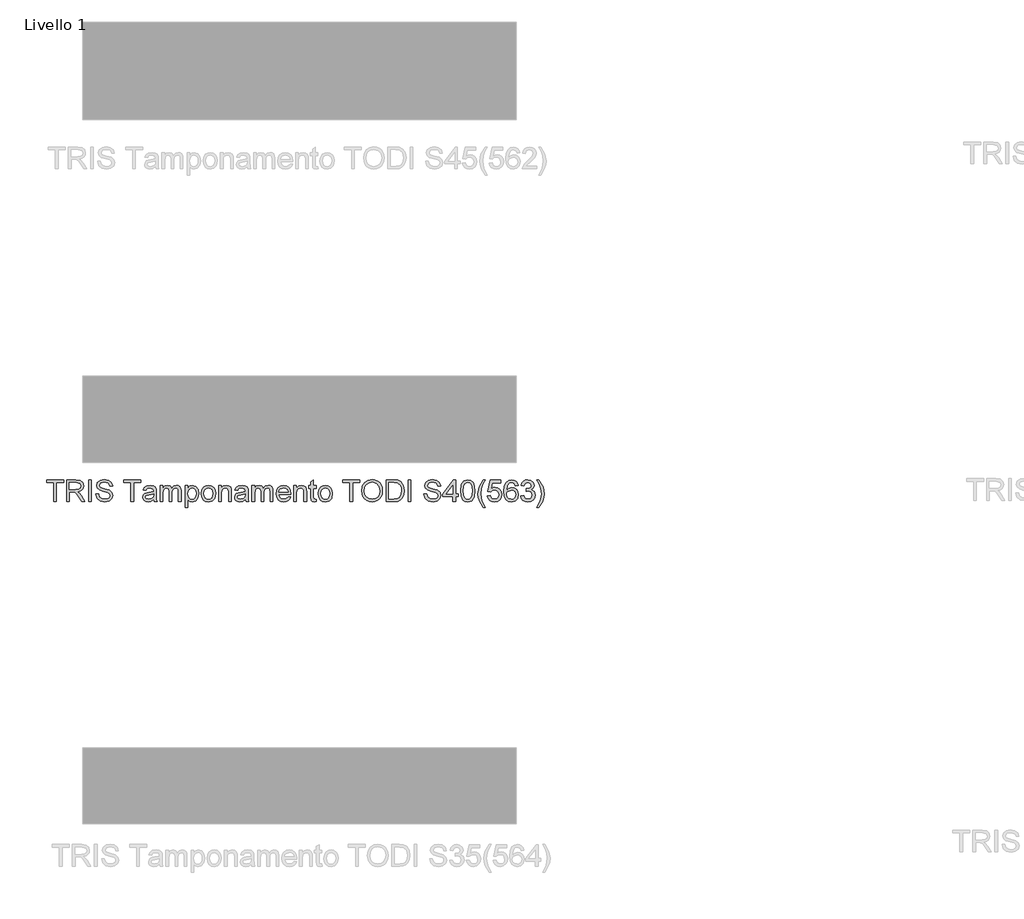
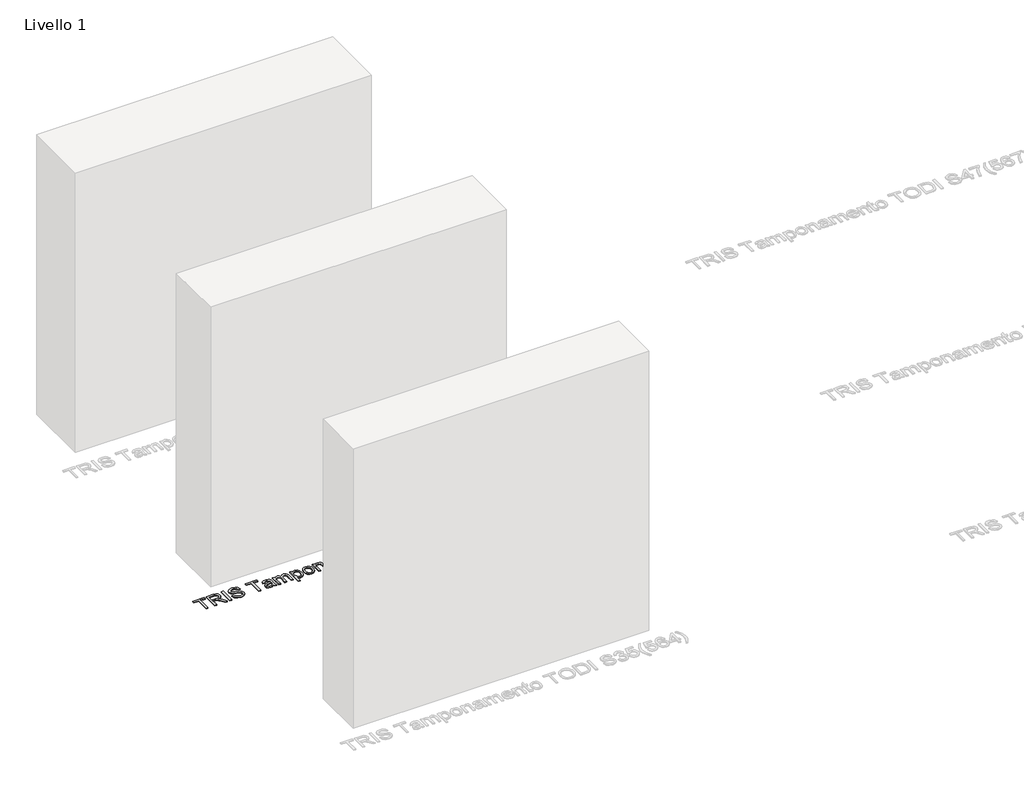
# One storey, part 12 of 18: 1 proxy.
"""IFC4 building model written with IfcOpenShell, lengths in millimetres."""

from ifc_helpers import new_model, si_unit, origin, origin_with_axes, place, context, project, spatial, polyline, outline, extrude, element, save

model = new_model("IFC4")

# Units and contexts
model_context = context("Model", 3, world=origin())
ifc_project = project(units=[si_unit("LENGTHUNIT", "METRE", prefix="MILLI")], contexts=[model_context])

# Site, building, storey
site = spatial("IfcSite", under=ifc_project)
building = spatial("IfcBuilding", under=site)
storey = spatial("IfcBuildingStorey", under=building, Name="Livello 1", Elevation=0.0)

# Proxy
placement = place(None, origin())
element("IfcBuildingElementProxy", 1, Name="100", ObjectType="100", at=placement, inside=storey, context=model_context, shape_type="SweptSolid", body=[
    extrude(outline(polyline([(-5554.8215519, 1609.8056886), (-5554.8215519, 1697.7049599), (-5587.7837787, 1697.7049599), (-5587.7837787, 1710.2619987), (-5509.3022864, 1710.2619987), (-5509.3022864, 1697.7049599), (-5542.2645131, 1697.7049599), (-5542.2645131, 1609.8056886), (-5554.8215519, 1609.8056886)])), origin_with_axes(), (0.0, 0.0, 1.0), 5.0),
    extrude(outline(polyline([(-5495.1756177, 1609.8056886), (-5495.1756177, 1710.2619987), (-5451.8881696, 1710.2619987), (-5431.78955, 1707.5519347), (-5420.8021411, 1697.9624773), (-5416.6941254, 1682.7689509), (-5418.3955797, 1672.8729253), (-5423.4999424, 1664.6691568), (-5432.1604977, 1658.6542861), (-5444.5305297, 1655.3249541), (-5437.393619, 1649.953877), (-5427.2155505, 1637.0289562), (-5410.464657, 1609.8056886), (-5425.0573095, 1609.8056886), (-5438.129383, 1630.6278095), (-5447.5716876, 1644.4111216), (-5454.2058262, 1650.9226329), (-5460.1777773, 1653.3138659), (-5467.4618408, 1653.7553242), (-5482.618579, 1653.7553242), (-5482.618579, 1609.8056886), (-5495.1756177, 1609.8056886)]), holes=[polyline([(-5482.618579, 1666.312363), (-5454.5123945, 1666.312363), (-5440.1772595, 1668.0904593), (-5432.0348046, 1673.7803675), (-5429.2511642, 1682.3029671), (-5434.5609277, 1693.3639524), (-5451.3486094, 1697.7049599), (-5482.618579, 1697.7049599), (-5482.618579, 1666.312363)])]), origin_with_axes(), (0.0, 0.0, 1.0), 5.0),
    extrude(outline(polyline([(-5393.1496777, 1609.8056886), (-5393.1496777, 1710.2619987), (-5380.592639, 1710.2619987), (-5380.592639, 1609.8056886), (-5393.1496777, 1609.8056886)])), origin_with_axes(), (0.0, 0.0, 1.0), 5.0),
    extrude(outline(polyline([(-5360.187451, 1644.3375452), (-5347.6304122, 1644.3375452), (-5343.5837103, 1631.7682437), (-5333.6999473, 1623.8219926), (-5318.641311, 1620.7930975), (-5305.5201865, 1623.0862286), (-5297.0466379, 1629.3892734), (-5294.2629974, 1637.8137711), (-5296.3476621, 1645.6496576), (-5304.8825244, 1651.3518285), (-5323.1662595, 1656.1465572), (-5342.8479463, 1662.3392375), (-5353.5287869, 1671.6834401), (-5357.0481913, 1684.1669025), (-5352.694921, 1698.3794103), (-5339.9784667, 1708.410326), (-5321.3636378, 1711.8316285), (-5301.49801, 1708.2509105), (-5288.2542582, 1697.7294854), (-5283.2755885, 1682.0086615), (-5295.8326273, 1682.0086615), (-5298.1380211, 1689.5011914), (-5302.9450125, 1694.9090568), (-5320.8731284, 1699.2745898), (-5338.8502953, 1694.9581077), (-5344.4911525, 1684.5347845), (-5340.4935015, 1675.828244), (-5319.9902116, 1668.8139606), (-5297.7701391, 1662.5109157), (-5285.6177706, 1652.3328472), (-5281.7059587, 1638.1326022), (-5286.2063818, 1623.110754), (-5299.155828, 1612.1478706), (-5318.1508017, 1608.2360587), (-5340.5793406, 1612.4544389), (-5354.7673229, 1625.1586305), (-5360.187451, 1644.3375452)])), origin_with_axes(), (0.0, 0.0, 1.0), 5.0),
    extrude(outline(polyline([(-5198.5155768, 1609.8056886), (-5198.5155768, 1697.7049599), (-5231.4778036, 1697.7049599), (-5231.4778036, 1710.2619987), (-5152.9963113, 1710.2619987), (-5152.9963113, 1697.7049599), (-5185.9585381, 1697.7049599), (-5185.9585381, 1609.8056886), (-5198.5155768, 1609.8056886)])), origin_with_axes(), (0.0, 0.0, 1.0), 5.0),
    extrude(outline(polyline([(-5093.3503771, 1619.2234676), (-5105.5272712, 1610.7131308), (-5118.9794895, 1608.2360587), (-5129.4733234, 1609.7259808), (-5137.2141737, 1614.195747), (-5141.9874426, 1620.9831698), (-5143.5785322, 1629.4260616), (-5141.1750365, 1639.3588755), (-5134.8597289, 1646.5693626), (-5126.0673493, 1650.689641), (-5115.2025677, 1652.5781019), (-5093.4239535, 1656.8945839), (-5093.3503771, 1659.6904871), (-5096.8084679, 1668.9611134), (-5110.6898819, 1672.5908824), (-5123.3940734, 1670.175124), (-5129.4518636, 1661.6034735), (-5142.0089024, 1663.1731033), (-5136.5765116, 1675.4358365), (-5125.6381536, 1682.6217981), (-5109.0712011, 1685.1479212), (-5093.8531492, 1682.9161037), (-5085.2569733, 1677.3120347), (-5081.406475, 1668.7894351), (-5080.7933384, 1657.8020262), (-5080.7933384, 1642.1793041), (-5080.1556763, 1620.3639018), (-5077.6540787, 1609.8056886), (-5090.2111175, 1609.8056886), (-5093.3503771, 1619.2234676)]), holes=[polyline([(-5093.3503771, 1644.3375452), (-5113.6084123, 1640.487047), (-5124.4118803, 1638.4514332), (-5129.3047108, 1635.1404953), (-5131.0214935, 1630.3089784), (-5127.2813598, 1623.5154242), (-5116.3062136, 1620.7930975), (-5103.6020221, 1623.7974671), (-5095.4105163, 1631.0692679), (-5093.4239535, 1640.7813525), (-5093.3503771, 1644.3375452)])]), origin_with_axes(), (0.0, 0.0, 1.0), 5.0),
    extrude(outline(polyline([(-5063.5274101, 1609.8056886), (-5063.5274101, 1683.5782913), (-5050.9703713, 1683.5782913), (-5050.9703713, 1671.4381855), (-5042.3374071, 1681.3832621), (-5030.0501485, 1685.1479212), (-5017.4685843, 1681.3096857), (-5010.5524028, 1670.5552687), (-5000.754479, 1681.499758), (-4988.3813812, 1685.1479212), (-4978.9421423, 1683.6304079), (-4971.9615815, 1679.0778682), (-4967.6481651, 1671.3676748), (-4966.2103596, 1660.3772002), (-4966.2103596, 1609.8056886), (-4978.7673984, 1609.8056886), (-4978.7673984, 1654.9815976), (-4979.932358, 1665.4662344), (-4984.1507382, 1670.6288451), (-4991.3244372, 1672.5908824), (-5003.6730095, 1667.5631618), (-5007.3610265, 1661.0209936), (-5008.5903655, 1651.4499304), (-5008.5903655, 1609.8056886), (-5021.1474042, 1609.8056886), (-5021.1474042, 1656.3795491), (-5024.053672, 1668.5441805), (-5033.5818157, 1672.5908824), (-5042.8769674, 1669.8930811), (-5049.0573849, 1661.9958809), (-5050.9703713, 1647.010821), (-5050.9703713, 1609.8056886), (-5063.5274101, 1609.8056886)])), origin_with_axes(), (0.0, 0.0, 1.0), 5.0),
    extrude(outline(polyline([(-4947.3748015, 1581.5523513), (-4947.3748015, 1683.5782913), (-4934.8177627, 1683.5782913), (-4934.8177627, 1671.2665072), (-4926.1357476, 1681.6775677), (-4914.4125747, 1685.1479212), (-4898.495547, 1680.2918788), (-4888.0967493, 1666.6066686), (-4884.5896076, 1647.2560757), (-4888.5504704, 1626.9122013), (-4900.0529141, 1613.0553128), (-4915.9331536, 1608.2360587), (-4926.8592489, 1611.4611575), (-4934.8177627, 1619.6158751), (-4934.8177627, 1581.5523513), (-4947.3748015, 1581.5523513)]), holes=[polyline([(-4934.8177627, 1646.1033787), (-4933.459665, 1634.8461897), (-4929.3853719, 1626.973515), (-4923.373567, 1622.3382019), (-4916.2029337, 1620.7930975), (-4908.9158045, 1622.3933842), (-4902.7507154, 1627.1942442), (-4898.5476637, 1635.3550931), (-4897.1466464, 1647.0353465), (-4898.5139411, 1658.2312219), (-4902.6158254, 1666.2142611), (-4908.6184333, 1670.9967271), (-4915.6878989, 1672.5908824), (-4922.7849558, 1670.8955595), (-4929.0174899, 1665.809591), (-4933.3676945, 1657.4923922), (-4934.8177627, 1646.1033787)])]), origin_with_axes(), (0.0, 0.0, 1.0), 5.0),
    extrude(outline(polyline([(-4873.6021987, 1646.6919899), (-4870.8860033, 1664.4790844), (-4862.7374171, 1676.9809409), (-4852.6697132, 1683.1061761), (-4840.6154465, 1685.1479212), (-4827.4238112, 1682.661652), (-4816.8870578, 1675.2028446), (-4809.9800733, 1663.36011), (-4807.6777452, 1647.7220595), (-4811.7489726, 1625.3793597), (-4823.6070355, 1612.7364818), (-4840.6154465, 1608.2360587), (-4853.9664972, 1610.7131308), (-4864.4909879, 1618.1443471), (-4871.324396, 1630.235402), (-4873.6021987, 1646.6919899)]), holes=[polyline([(-4861.0451599, 1646.7165154), (-4859.592026, 1635.3520274), (-4855.2326244, 1627.2555579), (-4848.6720622, 1622.4087126), (-4840.6154465, 1620.7930975), (-4832.595619, 1622.4179096), (-4826.0473195, 1627.2923461), (-4821.6879178, 1635.4961146), (-4820.2347839, 1647.1089229), (-4821.6971149, 1658.142317), (-4826.0841077, 1666.128422), (-4832.6416042, 1670.9752673), (-4840.6154465, 1672.5908824), (-4848.6720622, 1670.9813987), (-4855.2326244, 1666.1529475), (-4859.592026, 1658.074872), (-4861.0451599, 1646.7165154)])]), origin_with_axes(), (0.0, 0.0, 1.0), 5.0),
    extrude(outline(polyline([(-4793.5510765, 1609.8056886), (-4793.5510765, 1683.5782913), (-4780.9940378, 1683.5782913), (-4780.9940378, 1673.2775955), (-4771.3923177, 1682.1803397), (-4758.2834559, 1685.1479212), (-4746.425393, 1682.7566882), (-4738.3319891, 1676.4781688), (-4734.56733, 1667.2443307), (-4733.9051424, 1655.1042249), (-4733.9051424, 1609.8056886), (-4746.4621812, 1609.8056886), (-4746.4621812, 1653.4119677), (-4747.9091837, 1664.522004), (-4753.0227434, 1670.3958532), (-4761.6434448, 1672.5908824), (-4775.2673414, 1667.6612637), (-4779.5623637, 1660.5182216), (-4780.9940378, 1648.9483328), (-4780.9940378, 1609.8056886), (-4793.5510765, 1609.8056886)])), origin_with_axes(), (0.0, 0.0, 1.0), 5.0),
    extrude(outline(polyline([(-4669.5503187, 1619.2234676), (-4681.7272127, 1610.7131308), (-4695.179431, 1608.2360587), (-4705.6732649, 1609.7259808), (-4713.4141153, 1614.195747), (-4718.1873841, 1620.9831698), (-4719.7784738, 1629.4260616), (-4717.3749781, 1639.3588755), (-4711.0596705, 1646.5693626), (-4702.2672908, 1650.689641), (-4691.4025092, 1652.5781019), (-4669.6238951, 1656.8945839), (-4669.5503187, 1659.6904871), (-4673.0084095, 1668.9611134), (-4686.8898234, 1672.5908824), (-4699.594015, 1670.175124), (-4705.6518052, 1661.6034735), (-4718.2088439, 1663.1731033), (-4712.7764531, 1675.4358365), (-4701.8380951, 1682.6217981), (-4685.2711426, 1685.1479212), (-4670.0530908, 1682.9161037), (-4661.4569148, 1677.3120347), (-4657.6064166, 1668.7894351), (-4656.9932799, 1657.8020262), (-4656.9932799, 1642.1793041), (-4656.3556178, 1620.3639018), (-4653.8540202, 1609.8056886), (-4666.411059, 1609.8056886), (-4669.5503187, 1619.2234676)]), holes=[polyline([(-4669.5503187, 1644.3375452), (-4689.8083539, 1640.487047), (-4700.6118218, 1638.4514332), (-4705.5046524, 1635.1404953), (-4707.221435, 1630.3089784), (-4703.4813014, 1623.5154242), (-4692.5061552, 1620.7930975), (-4679.8019636, 1623.7974671), (-4671.6104579, 1631.0692679), (-4669.6238951, 1640.7813525), (-4669.5503187, 1644.3375452)])]), origin_with_axes(), (0.0, 0.0, 1.0), 5.0),
    extrude(outline(polyline([(-4639.7273516, 1609.8056886), (-4639.7273516, 1683.5782913), (-4627.1703129, 1683.5782913), (-4627.1703129, 1671.4381855), (-4618.5373487, 1681.3832621), (-4606.2500901, 1685.1479212), (-4593.6685258, 1681.3096857), (-4586.7523443, 1670.5552687), (-4576.9544205, 1681.499758), (-4564.5813227, 1685.1479212), (-4555.1420839, 1683.6304079), (-4548.161523, 1679.0778682), (-4543.8481066, 1671.3676748), (-4542.4103012, 1660.3772002), (-4542.4103012, 1609.8056886), (-4554.9673399, 1609.8056886), (-4554.9673399, 1654.9815976), (-4556.1322996, 1665.4662344), (-4560.3506798, 1670.6288451), (-4567.5243787, 1672.5908824), (-4579.872951, 1667.5631618), (-4583.560968, 1661.0209936), (-4584.790307, 1651.4499304), (-4584.790307, 1609.8056886), (-4597.3473458, 1609.8056886), (-4597.3473458, 1656.3795491), (-4600.2536135, 1668.5441805), (-4609.7817572, 1672.5908824), (-4619.076909, 1669.8930811), (-4625.2573265, 1661.9958809), (-4627.1703129, 1647.010821), (-4627.1703129, 1609.8056886), (-4639.7273516, 1609.8056886)])), origin_with_axes(), (0.0, 0.0, 1.0), 5.0),
    extrude(outline(polyline([(-4471.9241109, 1631.7805064), (-4459.6123268, 1630.2108766), (-4464.0483705, 1620.9341189), (-4471.1270332, 1613.9995433), (-4480.6888994, 1609.6769299), (-4492.5745536, 1608.2360587), (-4507.3082275, 1610.7223279), (-4518.6451243, 1618.1811353), (-4525.8740055, 1630.1281031), (-4528.2836326, 1646.0788533), (-4525.84948, 1662.566098), (-4518.5470224, 1674.8962762), (-4507.3634098, 1682.5850099), (-4493.2857921, 1685.1479212), (-4479.6465671, 1682.5911413), (-4468.748063, 1674.9208017), (-4461.6019552, 1662.615149), (-4459.2199193, 1646.1524297), (-4459.2934957, 1642.7679153), (-4515.7265938, 1642.7679153), (-4513.5530243, 1633.3685303), (-4508.5038439, 1626.4584802), (-4501.2167148, 1622.2094432), (-4492.3292989, 1620.7930975), (-4480.0175148, 1623.4173224), (-4471.9241109, 1631.7805064)]), holes=[polyline([(-4515.7265938, 1655.3249541), (-4471.7769581, 1655.3249541), (-4476.8046787, 1666.7047705), (-4484.1255304, 1671.1193544), (-4493.334843, 1672.5908824), (-4508.7981495, 1667.8942556), (-4513.6633889, 1662.4036168), (-4515.7265938, 1655.3249541)])]), origin_with_axes(), (0.0, 0.0, 1.0), 5.0),
    extrude(outline(polyline([(-4446.6628806, 1609.8056886), (-4446.6628806, 1683.5782913), (-4434.1058418, 1683.5782913), (-4434.1058418, 1673.2775955), (-4424.5041217, 1682.1803397), (-4411.39526, 1685.1479212), (-4399.537197, 1682.7566882), (-4391.4437931, 1676.4781688), (-4387.679134, 1667.2443307), (-4387.0169464, 1655.1042249), (-4387.0169464, 1609.8056886), (-4399.5739852, 1609.8056886), (-4399.5739852, 1653.4119677), (-4401.0209877, 1664.522004), (-4406.1345474, 1670.3958532), (-4414.7552488, 1672.5908824), (-4428.3791454, 1667.6612637), (-4432.6741677, 1660.5182216), (-4434.1058418, 1648.9483328), (-4434.1058418, 1609.8056886), (-4446.6628806, 1609.8056886)])), origin_with_axes(), (0.0, 0.0, 1.0), 5.0),
    extrude(outline(polyline([(-4343.0673107, 1620.2780627), (-4341.4976809, 1609.4378066), (-4350.8909345, 1608.2360587), (-4361.4123595, 1610.3207233), (-4366.6608093, 1615.7899023), (-4368.1813883, 1630.0391983), (-4368.1813883, 1671.0212526), (-4377.5991673, 1671.0212526), (-4377.5991673, 1683.5782913), (-4368.1813883, 1683.5782913), (-4368.1813883, 1701.5064072), (-4355.6243495, 1708.8885726), (-4355.6243495, 1683.5782913), (-4343.0673107, 1683.5782913), (-4343.0673107, 1671.0212526), (-4355.6243495, 1671.0212526), (-4355.6243495, 1630.4070803), (-4354.9621619, 1623.9323572), (-4352.8161836, 1621.6392261), (-4348.5364897, 1620.7930975), (-4343.0673107, 1620.2780627)])), origin_with_axes(), (0.0, 0.0, 1.0), 5.0),
    extrude(outline(polyline([(-4333.6495316, 1646.6919899), (-4330.9333362, 1664.4790844), (-4322.78475, 1676.9809409), (-4312.7170461, 1683.1061761), (-4300.6627794, 1685.1479212), (-4287.4711442, 1682.661652), (-4276.9343907, 1675.2028446), (-4270.0274063, 1663.36011), (-4267.7250781, 1647.7220595), (-4271.7963055, 1625.3793597), (-4283.6543685, 1612.7364818), (-4300.6627794, 1608.2360587), (-4314.0138301, 1610.7131308), (-4324.5383209, 1618.1443471), (-4331.371729, 1630.235402), (-4333.6495316, 1646.6919899)]), holes=[polyline([(-4321.0924929, 1646.7165154), (-4319.639359, 1635.3520274), (-4315.2799573, 1627.2555579), (-4308.7193951, 1622.4087126), (-4300.6627794, 1620.7930975), (-4292.6429519, 1622.4179096), (-4286.0946524, 1627.2923461), (-4281.7352508, 1635.4961146), (-4280.2821169, 1647.1089229), (-4281.7444478, 1658.142317), (-4286.1314406, 1666.128422), (-4292.6889372, 1670.9752673), (-4300.6627794, 1672.5908824), (-4308.7193951, 1670.9813987), (-4315.2799573, 1666.1529475), (-4319.639359, 1658.074872), (-4321.0924929, 1646.7165154)])]), origin_with_axes(), (0.0, 0.0, 1.0), 5.0),
    extrude(outline(polyline([(-4187.673956, 1609.8056886), (-4187.673956, 1697.7049599), (-4220.6361827, 1697.7049599), (-4220.6361827, 1710.2619987), (-4142.1546904, 1710.2619987), (-4142.1546904, 1697.7049599), (-4175.1169172, 1697.7049599), (-4175.1169172, 1609.8056886), (-4187.673956, 1609.8056886)])), origin_with_axes(), (0.0, 0.0, 1.0), 5.0),
    extrude(outline(polyline([(-4132.7369113, 1658.7094684), (-4129.3891852, 1680.9234096), (-4119.3460067, 1697.7294854), (-4104.0114589, 1708.3060928), (-4084.7896246, 1711.8316285), (-4071.6133178, 1710.1761596), (-4059.7981744, 1705.2097526), (-4049.9879879, 1697.2818956), (-4042.8265517, 1686.7420765), (-4038.448756, 1674.0991986), (-4036.9894907, 1659.8621654), (-4038.5253981, 1645.4350598), (-4043.13312, 1632.6143723), (-4050.558205, 1622.056159), (-4060.5462012, 1614.4164762), (-4072.260177, 1609.7811631), (-4084.863201, 1608.2360587), (-4098.2418429, 1609.9436443), (-4110.1244314, 1615.0664011), (-4119.9100924, 1623.1414109), (-4126.9979522, 1633.7057555), (-4132.7369113, 1658.7094684)]), holes=[polyline([(-4120.1798726, 1658.5868411), (-4117.669078, 1642.8721486), (-4110.1366941, 1630.8975896), (-4098.8151257, 1623.3192205), (-4084.9367774, 1620.7930975), (-4070.8560941, 1623.343746), (-4059.5161316, 1630.9956915), (-4052.03893, 1643.3381324), (-4049.5465295, 1659.9602672), (-4053.8139606, 1680.6842863), (-4066.2851603, 1694.4062847), (-4084.7160482, 1699.2745898), (-4098.2234488, 1696.9293421), (-4109.7074984, 1689.8935989), (-4117.561779, 1677.376414), (-4120.1798726, 1658.5868411)])]), origin_with_axes(), (0.0, 0.0, 1.0), 5.0),
    extrude(outline(polyline([(-4019.7235624, 1609.8056886), (-4019.7235624, 1710.2619987), (-3985.0690785, 1710.2619987), (-3967.1409626, 1708.8149962), (-3952.3766318, 1701.6290346), (-3940.4817807, 1684.4612081), (-3936.5331806, 1660.5734039), (-3939.2064564, 1640.303106), (-3946.073587, 1625.6736653), (-3955.2461114, 1616.5624545), (-3967.2513272, 1611.5224712), (-3983.4013468, 1609.8056886), (-4019.7235624, 1609.8056886)]), holes=[polyline([(-4007.1665237, 1622.3627273), (-3984.9464511, 1622.3627273), (-3968.7841688, 1624.1776118), (-3959.4644916, 1629.3034343), (-3951.8248088, 1641.7746339), (-3949.0902193, 1660.7696076), (-3950.4299229, 1674.4548178), (-3954.4490337, 1684.55931), (-3967.4843191, 1695.6938717), (-3985.2898077, 1697.7049599), (-4007.1665237, 1697.7049599), (-4007.1665237, 1622.3627273)])]), origin_with_axes(), (0.0, 0.0, 1.0), 5.0),
    extrude(outline(polyline([(-3917.6976224, 1609.8056886), (-3917.6976224, 1710.2619987), (-3905.1405837, 1710.2619987), (-3905.1405837, 1609.8056886), (-3917.6976224, 1609.8056886)])), origin_with_axes(), (0.0, 0.0, 1.0), 5.0),
    extrude(outline(polyline([(-3845.4946495, 1644.3375452), (-3832.9376107, 1644.3375452), (-3828.8909088, 1631.7682437), (-3819.0071459, 1623.8219926), (-3803.9485095, 1620.7930975), (-3790.827385, 1623.0862286), (-3782.3538364, 1629.3892734), (-3779.570196, 1637.8137711), (-3781.6548606, 1645.6496576), (-3790.1897229, 1651.3518285), (-3808.4734581, 1656.1465572), (-3828.1551448, 1662.3392375), (-3838.8359854, 1671.6834401), (-3842.3553898, 1684.1669025), (-3838.0021195, 1698.3794103), (-3825.2856652, 1708.410326), (-3806.6708363, 1711.8316285), (-3786.8052085, 1708.2509105), (-3773.5614567, 1697.7294854), (-3768.582787, 1682.0086615), (-3781.1398258, 1682.0086615), (-3783.4452197, 1689.5011914), (-3788.2522111, 1694.9090568), (-3806.180327, 1699.2745898), (-3824.1574938, 1694.9581077), (-3829.798351, 1684.5347845), (-3825.8007, 1675.828244), (-3805.2974102, 1668.8139606), (-3783.0773377, 1662.5109157), (-3770.9249691, 1652.3328472), (-3767.0131572, 1638.1326022), (-3771.5135803, 1623.110754), (-3784.4630265, 1612.1478706), (-3803.4580002, 1608.2360587), (-3825.8865392, 1612.4544389), (-3840.0745214, 1625.1586305), (-3845.4946495, 1644.3375452)])), origin_with_axes(), (0.0, 0.0, 1.0), 5.0),
    extrude(outline(polyline([(-3712.0761126, 1609.8056886), (-3712.0761126, 1633.3501362), (-3757.5953781, 1633.3501362), (-3757.5953781, 1645.907175), (-3708.9368529, 1708.6923689), (-3699.5190738, 1708.6923689), (-3699.5190738, 1645.907175), (-3686.9620351, 1645.907175), (-3686.9620351, 1633.3501362), (-3699.5190738, 1633.3501362), (-3699.5190738, 1609.8056886), (-3712.0761126, 1609.8056886)]), holes=[polyline([(-3712.0761126, 1645.907175), (-3712.0761126, 1684.7064628), (-3742.1443343, 1645.907175), (-3712.0761126, 1645.907175)])]), origin_with_axes(), (0.0, 0.0, 1.0), 5.0),
    extrude(outline(polyline([(-3675.9746261, 1659.2245032), (-3672.2835434, 1688.1277653), (-3661.32066, 1704.7928197), (-3643.0123994, 1710.2619987), (-3628.3461705, 1707.0246371), (-3618.2171529, 1697.6926972), (-3612.331041, 1682.8302646), (-3610.0501726, 1659.2245032), (-3613.7044671, 1630.4438685), (-3624.6305623, 1613.7420259), (-3632.861922, 1609.6125505), (-3643.0123994, 1608.2360587), (-3656.0599475, 1610.6272917), (-3665.9682359, 1617.8009906), (-3673.4730286, 1634.7910074), (-3675.9746261, 1659.2245032)]), holes=[polyline([(-3663.4175874, 1659.2490287), (-3661.9460594, 1639.4968312), (-3657.5314754, 1628.0648982), (-3650.9586505, 1622.6110477), (-3643.0123994, 1620.7930975), (-3635.0661483, 1622.617179), (-3628.4933233, 1628.0894237), (-3624.0787393, 1639.5274881), (-3622.6072114, 1659.2490287), (-3624.0296884, 1678.5567021), (-3628.2971196, 1690.0775399), (-3634.8576818, 1695.7981049), (-3643.1595522, 1697.7049599), (-3651.0199641, 1696.0249655), (-3657.3352717, 1690.9849822), (-3661.8970084, 1678.7467745), (-3663.4175874, 1659.2490287)])]), origin_with_axes(), (0.0, 0.0, 1.0), 5.0),
    extrude(outline(polyline([(-3570.8094264, 1581.5523513), (-3588.6394405, 1611.0074364), (-3594.1024881, 1628.1875256), (-3595.923504, 1645.9807514), (-3590.4788505, 1676.514957), (-3570.8094264, 1710.2619987), (-3561.3916474, 1710.2619987), (-3573.1393457, 1690.3718455), (-3580.2026801, 1671.094829), (-3583.3664652, 1645.907175), (-3577.8727607, 1613.7175004), (-3561.3916474, 1581.5523513), (-3570.8094264, 1581.5523513)])), origin_with_axes(), (0.0, 0.0, 1.0), 5.0),
    extrude(outline(polyline([(-3551.9738683, 1636.4893959), (-3539.4168295, 1638.0590258), (-3533.0892592, 1625.1218423), (-3519.9681347, 1620.7930975), (-3510.9672886, 1622.298348), (-3504.2227853, 1626.8140995), (-3500.0105365, 1633.8191858), (-3498.6064535, 1642.7924408), (-3503.8671661, 1657.7039243), (-3510.4737135, 1661.8058086), (-3519.771931, 1663.1731033), (-3530.7961281, 1660.9903368), (-3537.8471997, 1655.3249541), (-3550.4042384, 1656.8945839), (-3539.4168295, 1708.6923689), (-3490.7583043, 1708.6923689), (-3490.7583043, 1696.1353301), (-3529.2632865, 1696.1353301), (-3534.6343636, 1668.4706041), (-3525.6641743, 1673.9152576), (-3516.2647893, 1675.7301421), (-3504.5324193, 1673.4799306), (-3494.7927435, 1666.7292959), (-3488.2352469, 1656.4408628), (-3486.0494148, 1643.5772557), (-3488.0175834, 1631.0202169), (-3493.9220894, 1620.2780627), (-3505.2283294, 1611.2465597), (-3520.0171856, 1608.2360587), (-3532.3504295, 1610.1705049), (-3542.1759445, 1615.9738433), (-3548.9112507, 1624.9716238), (-3551.9738683, 1636.4893959)])), origin_with_axes(), (0.0, 0.0, 1.0), 5.0),
    extrude(outline(polyline([(-3410.7071821, 1683.5782913), (-3423.2642209, 1682.0086615), (-3428.0221614, 1692.4810356), (-3440.6037256, 1697.7049599), (-3451.9344911, 1694.6638021), (-3460.5061416, 1683.2471975), (-3464.0745969, 1660.8677095), (-3453.0013489, 1670.8863625), (-3439.2793504, 1674.1605122), (-3427.6788049, 1671.9225634), (-3417.9421947, 1665.208717), (-3411.3387129, 1654.9509407), (-3409.1375523, 1642.0812023), (-3413.2823561, 1624.7539603), (-3424.686698, 1612.4912271), (-3441.1432859, 1608.2360587), (-3455.3895161, 1611.0564873), (-3466.73561, 1619.5177732), (-3474.1576293, 1634.4537822), (-3476.6316357, 1656.6983802), (-3473.8847834, 1681.7082245), (-3465.6442268, 1698.8086059), (-3454.3931691, 1707.3986505), (-3439.8189107, 1710.2619987), (-3428.8008449, 1708.4900338), (-3419.9778084, 1703.1741389), (-3413.7973909, 1694.7312471), (-3410.7071821, 1683.5782913)]), holes=[polyline([(-3464.0745969, 1642.277406), (-3461.1683291, 1631.4003617), (-3453.4428072, 1623.5031615), (-3442.1243045, 1620.7930975), (-3433.8377626, 1622.1971804), (-3427.3231856, 1626.4094293), (-3423.1017397, 1633.0313052), (-3421.6945911, 1641.6642693), (-3423.0833456, 1649.9508113), (-3427.2496092, 1656.2691845), (-3433.8745508, 1660.2699012), (-3442.6393393, 1661.6034735), (-3457.8328657, 1656.2691845), (-3462.5141641, 1650.1040954), (-3464.0745969, 1642.277406)])]), origin_with_axes(), (0.0, 0.0, 1.0), 5.0),
    extrude(outline(polyline([(-3398.1501434, 1636.4893959), (-3385.5931046, 1638.0590258), (-3378.6646604, 1624.8397994), (-3365.7029514, 1620.7930975), (-3357.0945127, 1622.1849177), (-3350.4481113, 1626.3603783), (-3344.7827286, 1640.1436904), (-3350.3990604, 1653.1299249), (-3364.6728818, 1658.2680101), (-3373.4775242, 1656.8945839), (-3372.0795726, 1669.4516227), (-3370.0684844, 1669.3044699), (-3355.8191885, 1672.9097135), (-3351.0735107, 1677.4837129), (-3349.4916181, 1683.9952242), (-3354.0778803, 1693.8176735), (-3365.8991551, 1697.7049599), (-3377.8675827, 1693.7808853), (-3384.0234748, 1682.0086615), (-3396.5805135, 1683.5782913), (-3392.8832995, 1694.8538745), (-3386.3043431, 1703.2722408), (-3377.303497, 1708.5145592), (-3366.3406135, 1710.2619987), (-3351.1961381, 1706.8161707), (-3340.6011366, 1697.3983916), (-3336.9345794, 1684.7309882), (-3340.4171956, 1673.1549681), (-3350.7178915, 1664.840835), (-3337.0326812, 1656.2569218), (-3332.2256898, 1639.9229612), (-3334.6291855, 1627.6847535), (-3341.8396726, 1617.4576341), (-3352.7228483, 1610.5414525), (-3366.1444098, 1608.2360587), (-3378.2845156, 1610.2042274), (-3388.1682786, 1616.1087334), (-3395.0415405, 1625.1402364), (-3398.1501434, 1636.4893959)])), origin_with_axes(), (0.0, 0.0, 1.0), 5.0),
    extrude(outline(polyline([(-3314.9597615, 1581.5523513), (-3324.3775406, 1581.5523513), (-3307.8964272, 1613.7175004), (-3302.4027228, 1645.907175), (-3305.5665079, 1670.8740998), (-3312.5562658, 1690.1756418), (-3324.3775406, 1710.2619987), (-3314.9597615, 1710.2619987), (-3295.2903375, 1676.514957), (-3289.845684, 1645.9807514), (-3291.6758969, 1628.1875256), (-3297.1665357, 1611.0074364), (-3314.9597615, 1581.5523513)])), origin_with_axes(), (0.0, 0.0, 1.0), 5.0),
])

save(model, "model.ifc")
